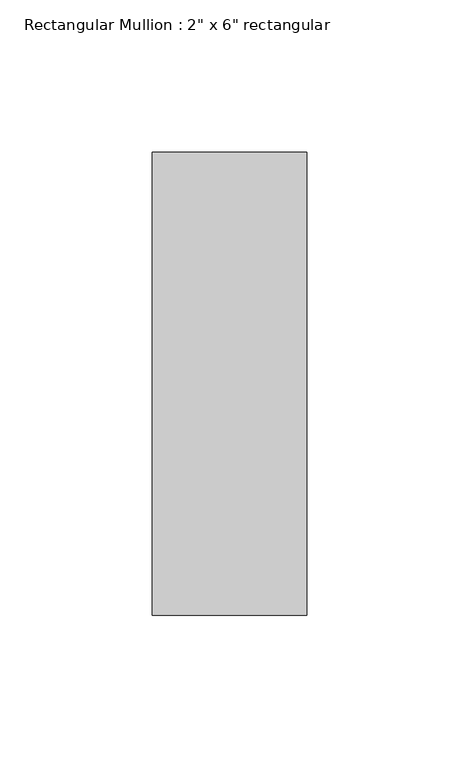
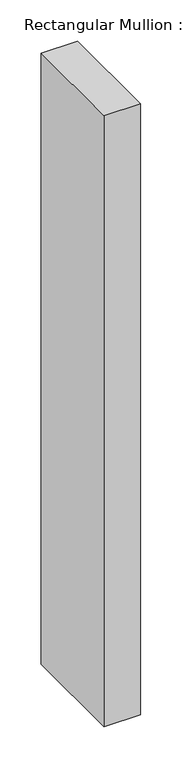
"""IFC4 building model written with IfcOpenShell, lengths in millimetres: member geometry."""

from ifc_helpers import new_model, si_unit, frame, origin, place, context, project, spatial, polyline, outline, extrude, source, transform, mapped, element, save


def member_00cb6536(model_context):
    return source(origin(), model_context, "Body", "SweptSolid", [
        extrude(outline(polyline([(0.0, 76.2), (0.0, -76.2), (-50.8, -76.2), (-50.8, 76.2), (0.0, 76.2)])), frame((0.0, 0.0, -902.0294002), z_axis=(0.0, 0.0, 1.0), x_axis=(1.0, 0.0, 0.0)), (0.0, 0.0, 1.0), 902.0294002),
    ])


if __name__ == "__main__":
    model = new_model("IFC4")
    model_context = context("Model", 3, world=origin())
    ifc_project = project(units=[si_unit("LENGTHUNIT", "METRE", prefix="MILLI")], contexts=[model_context])
    site = spatial("IfcSite", under=ifc_project)
    building = spatial("IfcBuilding", under=site)
    placement = place(None, origin())
    member_shape = member_00cb6536(model_context)
    element("IfcMember", 1, ObjectType="Rectangular Mullion : 2\" x 6\" rectangular", at=placement, inside=building, context=model_context, shape_type="MappedRepresentation", body=[
        mapped(member_shape, transform((0.0, 0.0, 0.0), x_axis=(1.0, 0.0, 0.0), y_axis=(0.0, 1.0, 0.0), z_axis=(0.0, 0.0, 1.0))),
    ])
    save(model, "model.ifc")
